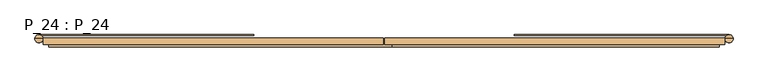
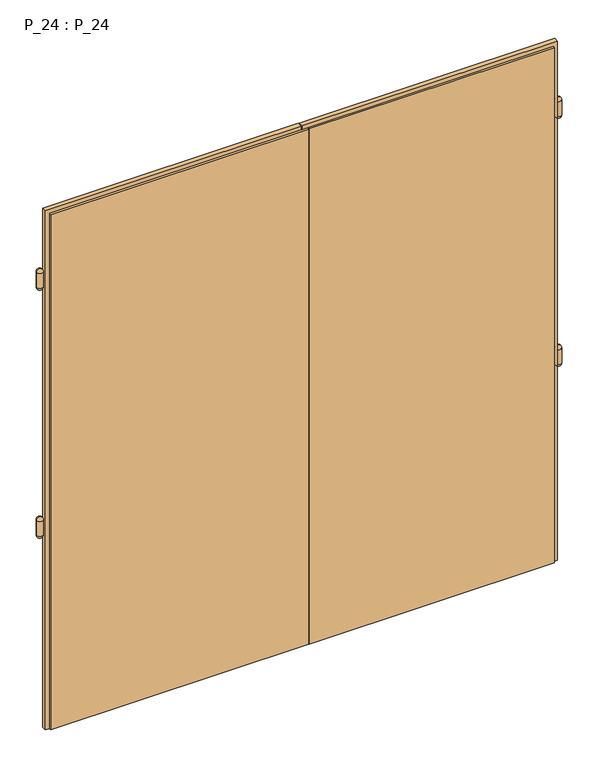
"""IFC4 building model written with IfcOpenShell, lengths in millimetres: door geometry, P_24 : P_24."""

from ifc_helpers import new_model, si_unit, point, frame, origin, place, context, project, spatial, circle_curve, ellipse_curve, trimmed, faceted_brep, source, transform, mapped, element, save
from ifc_brep_helpers import plane_surface, cylinder_surface, revolved_surface, advanced_brep


def p_24_p_24_582e99e0(model_context):
    return source(origin(), model_context, "Body", "SolidModel", [
        advanced_brep(
        [(-1286.1198712, 311.5, 2300.0), (-1271.1198712, 311.5, 2315.0), (-1301.1198712, 311.5, 2315.0), (-1271.1198712, 311.5, 2395.0), (-1286.1198712, 311.5, 2410.0), (-1301.1198712, 311.5, 2395.0), (-1277.8283092, 324.0, 2395.0), (-1286.1198712, 326.5, 2395.0), (-1286.1198712, 326.5, 2350.0), (-1277.8283092, 324.0, 2350.0), (-486.1198712, 326.5, 2395.0), (-486.1198712, 324.0, 2395.0), (-486.1198712, 326.5, 2350.0), (-486.1198712, 324.0, 2350.0)],
        [
            (0, 1, circle_curve(frame((-1286.1198712, 311.5, 2315.0), z_axis=(0.0, -1.0, 0.0), x_axis=(-1.0, 0.0, 0.0)), 15.0)),
            (1, 2, circle_curve(frame((-1286.1198712, 311.5, 2315.0), z_axis=(0.0, 0.0, -1.0), x_axis=(-1.0, 0.0, 0.0)), 15.0)),
            (2, 0, circle_curve(frame((-1286.1198712, 311.5, 2315.0), z_axis=(0.0, -1.0, 0.0), x_axis=(1.0, 0.0, 0.0)), 15.0)),
            (2, 1, circle_curve(frame((-1286.1198712, 311.5, 2315.0), z_axis=(0.0, 0.0, -1.0), x_axis=(-1.0, 0.0, 0.0)), 15.0)),
            (3, 4, circle_curve(frame((-1286.1198712, 311.5, 2395.0), z_axis=(0.0, -1.0, 0.0), x_axis=(-1.0, 0.0, 0.0)), 15.0)),
            (4, 5, circle_curve(frame((-1286.1198712, 311.5, 2395.0), z_axis=(0.0, -1.0, 0.0), x_axis=(1.0, 0.0, 0.0)), 15.0)),
            (5, 3, circle_curve(frame((-1286.1198712, 311.5, 2395.0), z_axis=(0.0, 0.0, 1.0), x_axis=(-1.0, 0.0, 0.0)), 15.0)),
            (3, 6, circle_curve(frame((-1286.1198712, 311.5, 2395.0), z_axis=(0.0, 0.0, 1.0), x_axis=(-1.0, 0.0, 0.0)), 15.0)),
            (6, 7, circle_curve(frame((-1286.1198712, 311.5, 2395.0), z_axis=(0.0, 0.0, 1.0), x_axis=(-1.0, 0.0, 0.0)), 15.0)),
            (7, 5, circle_curve(frame((-1286.1198712, 311.5, 2395.0), z_axis=(0.0, 0.0, 1.0), x_axis=(-1.0, 0.0, 0.0)), 15.0)),
            (1, 3),
            (5, 2),
            (7, 8),
            (8, 9, circle_curve(frame((-1286.1198712, 311.5, 2350.0), z_axis=(0.0, 0.0, -1.0), x_axis=(-1.0, 0.0, 0.0)), 15.0)),
            (9, 6),
            (10, 7),
            (6, 11),
            (11, 10),
            (12, 13),
            (13, 9),
            (8, 12),
            (11, 13),
            (12, 10),
        ],
        [
            revolved_surface(trimmed(ellipse_curve(frame((-1286.1198712, 311.5, 2315.0), z_axis=(0.0, -1.0, 0.0), x_axis=(1.0, 0.0, 0.0)), 15.0, 15.0), [point((-1301.1198712, 311.5, 2315.0))], [point((-1286.1198712, 311.5, 2300.0))], True, "CARTESIAN"), (-1286.1198712, 311.5, 2270.0), (0.0, 0.0, -1.0)),
            revolved_surface(trimmed(ellipse_curve(frame((-1286.1198712, 311.5, 2395.0), z_axis=(0.0, -1.0, 0.0), x_axis=(1.0, 0.0, 0.0)), 15.0, 15.0), [point((-1286.1198712, 311.5, 2410.0))], [point((-1301.1198712, 311.5, 2395.0))], True, "CARTESIAN"), (-1286.1198712, 311.5, 2270.0), (0.0, 0.0, -1.0)),
            cylinder_surface(frame((-1286.1198712, 311.5, 2270.0), z_axis=(0.0, 0.0, -1.0), x_axis=(-1.0, 0.0, 0.0)), 15.0),
            plane_surface(frame((-486.1198712, 326.5, 2395.0), z_axis=(0.0, 0.0, 1.0), x_axis=(0.0, -1.0, 0.0))),
            plane_surface(frame((-486.1198712, 326.5, 2350.0), z_axis=(0.0, 0.0, -1.0), x_axis=(0.0, 1.0, 0.0))),
            plane_surface(frame((-486.1198712, 326.5, 2395.0), z_axis=(1.0, 0.0, 0.0), x_axis=(0.0, 0.0, -1.0))),
            plane_surface(frame((-486.1198712, 324.0, 2395.0), z_axis=(0.0, -1.0, 0.0), x_axis=(0.0, 0.0, -1.0))),
            plane_surface(frame((-1286.1198712, 326.5, 2395.0), z_axis=(0.0, 1.0, 0.0), x_axis=(0.0, 0.0, -1.0))),
        ],
        [
            (0, [[1, 2, 3]]),
            (0, [[4, -1, -3]]),
            (1, [[5, 6, 7]]),
            (1, [[-5, 8, 9, 10, -6]]),
            (2, [[11, -7, 12, -2]]),
            (2, [[-12, -10, 13, 14, 15, -8, -11, -4]]),
            (3, [[16, -9, 17, 18]]),
            (4, [[19, 20, -14, 21]]),
            (5, [[22, -19, 23, -18]]),
            (6, [[-17, -15, -20, -22]]),
            (7, [[-23, -21, -13, -16]]),
        ],
    ),
        advanced_brep(
        [(1286.1198712, 311.5, 2300.0), (1301.1198712, 311.5, 2315.0), (1271.1198712, 311.5, 2315.0), (1271.1198712, 311.5, 2395.0), (1301.1198712, 311.5, 2395.0), (1286.1198712, 311.5, 2410.0), (1286.1198712, 326.5, 2395.0), (1277.8283092, 324.0, 2395.0), (1277.8283092, 324.0, 2350.0), (1286.1198712, 326.5, 2350.0), (486.1198712, 326.5, 2395.0), (486.1198712, 324.0, 2395.0), (486.1198712, 326.5, 2350.0), (486.1198712, 324.0, 2350.0)],
        [
            (0, 1, circle_curve(frame((1286.1198712, 311.5, 2315.0), z_axis=(0.0, -1.0, 0.0), x_axis=(-1.0, 0.0, 0.0)), 15.0)),
            (1, 2, circle_curve(frame((1286.1198712, 311.5, 2315.0), z_axis=(0.0, 0.0, -1.0), x_axis=(1.0, 0.0, 0.0)), 15.0)),
            (2, 0, circle_curve(frame((1286.1198712, 311.5, 2315.0), z_axis=(0.0, -1.0, 0.0), x_axis=(1.0, 0.0, 0.0)), 15.0)),
            (2, 1, circle_curve(frame((1286.1198712, 311.5, 2315.0), z_axis=(0.0, 0.0, -1.0), x_axis=(1.0, 0.0, 0.0)), 15.0)),
            (3, 4, circle_curve(frame((1286.1198712, 311.5, 2395.0), z_axis=(0.0, 0.0, 1.0), x_axis=(1.0, 0.0, 0.0)), 15.0)),
            (4, 5, circle_curve(frame((1286.1198712, 311.5, 2395.0), z_axis=(0.0, -1.0, 0.0), x_axis=(-1.0, 0.0, 0.0)), 15.0)),
            (5, 3, circle_curve(frame((1286.1198712, 311.5, 2395.0), z_axis=(0.0, -1.0, 0.0), x_axis=(1.0, 0.0, 0.0)), 15.0)),
            (4, 6, circle_curve(frame((1286.1198712, 311.5, 2395.0), z_axis=(0.0, 0.0, 1.0), x_axis=(1.0, 0.0, 0.0)), 15.0)),
            (6, 7, circle_curve(frame((1286.1198712, 311.5, 2395.0), z_axis=(0.0, 0.0, 1.0), x_axis=(1.0, 0.0, 0.0)), 15.0)),
            (7, 3, circle_curve(frame((1286.1198712, 311.5, 2395.0), z_axis=(0.0, 0.0, 1.0), x_axis=(1.0, 0.0, 0.0)), 15.0)),
            (1, 4),
            (3, 2),
            (7, 8),
            (8, 9, circle_curve(frame((1286.1198712, 311.5, 2350.0), z_axis=(0.0, 0.0, -1.0), x_axis=(1.0, 0.0, 0.0)), 15.0)),
            (9, 6),
            (10, 11),
            (11, 7),
            (6, 10),
            (12, 9),
            (8, 13),
            (13, 12),
            (10, 12),
            (13, 11),
        ],
        [
            revolved_surface(trimmed(ellipse_curve(frame((1286.1198712, 311.5, 2315.0), z_axis=(0.0, 1.0, 0.0), x_axis=(-1.0, 0.0, 0.0)), 15.0, 15.0), [point((1301.1198712, 311.5, 2315.0))], [point((1286.1198712, 311.5, 2300.0))], True, "CARTESIAN"), (1286.1198712, 311.5, 2270.0), (0.0, 0.0, -1.0)),
            revolved_surface(trimmed(ellipse_curve(frame((1286.1198712, 311.5, 2395.0), z_axis=(0.0, 1.0, 0.0), x_axis=(-1.0, 0.0, 0.0)), 15.0, 15.0), [point((1286.1198712, 311.5, 2410.0))], [point((1301.1198712, 311.5, 2395.0))], True, "CARTESIAN"), (1286.1198712, 311.5, 2270.0), (0.0, 0.0, -1.0)),
            cylinder_surface(frame((1286.1198712, 311.5, 2270.0), z_axis=(0.0, 0.0, -1.0), x_axis=(1.0, 0.0, 0.0)), 15.0),
            plane_surface(frame((486.1198712, 326.5, 2395.0), z_axis=(0.0, 0.0, 1.0), x_axis=(0.0, -1.0, 0.0))),
            plane_surface(frame((486.1198712, 326.5, 2350.0), z_axis=(0.0, 0.0, -1.0), x_axis=(0.0, 1.0, 0.0))),
            plane_surface(frame((486.1198712, 326.5, 2395.0), z_axis=(-1.0, 0.0, 0.0), x_axis=(0.0, 0.0, -1.0))),
            plane_surface(frame((486.1198712, 324.0, 2395.0), z_axis=(0.0, -1.0, 0.0), x_axis=(0.0, 0.0, -1.0))),
            plane_surface(frame((1286.1198712, 326.5, 2395.0), z_axis=(0.0, 1.0, 0.0), x_axis=(0.0, 0.0, -1.0))),
        ],
        [
            (0, [[1, 2, 3]]),
            (0, [[-1, -3, 4]]),
            (1, [[5, 6, 7]]),
            (1, [[-6, 8, 9, 10, -7]]),
            (2, [[-2, 11, -5, 12]]),
            (2, [[-4, -12, -10, 13, 14, 15, -8, -11]]),
            (3, [[16, 17, -9, 18]]),
            (4, [[19, -14, 20, 21]]),
            (5, [[-16, 22, -21, 23]]),
            (6, [[-23, -20, -13, -17]]),
            (7, [[-18, -15, -19, -22]]),
        ],
    ),
        advanced_brep(
        [(-1286.1198712, 311.5, 1000.0), (-1271.1198712, 311.5, 1015.0), (-1301.1198712, 311.5, 1015.0), (-1271.1198712, 311.5, 1095.0), (-1286.1198712, 311.5, 1110.0), (-1301.1198712, 311.5, 1095.0), (-1277.8283092, 324.0, 1095.0), (-1286.1198712, 326.5, 1095.0), (-1286.1198712, 326.5, 1050.0), (-1277.8283092, 324.0, 1050.0), (-486.1198712, 326.5, 1095.0), (-486.1198712, 324.0, 1095.0), (-486.1198712, 326.5, 1050.0), (-486.1198712, 324.0, 1050.0)],
        [
            (0, 1, circle_curve(frame((-1286.1198712, 311.5, 1015.0), z_axis=(0.0, -1.0, 0.0), x_axis=(-1.0, 0.0, 0.0)), 15.0)),
            (1, 2, circle_curve(frame((-1286.1198712, 311.5, 1015.0), z_axis=(0.0, 0.0, -1.0), x_axis=(-1.0, 0.0, 0.0)), 15.0)),
            (2, 0, circle_curve(frame((-1286.1198712, 311.5, 1015.0), z_axis=(0.0, -1.0, 0.0), x_axis=(1.0, 0.0, 0.0)), 15.0)),
            (2, 1, circle_curve(frame((-1286.1198712, 311.5, 1015.0), z_axis=(0.0, 0.0, -1.0), x_axis=(-1.0, 0.0, 0.0)), 15.0)),
            (3, 4, circle_curve(frame((-1286.1198712, 311.5, 1095.0), z_axis=(0.0, -1.0, 0.0), x_axis=(-1.0, 0.0, 0.0)), 15.0)),
            (4, 5, circle_curve(frame((-1286.1198712, 311.5, 1095.0), z_axis=(0.0, -1.0, 0.0), x_axis=(1.0, 0.0, 0.0)), 15.0)),
            (5, 3, circle_curve(frame((-1286.1198712, 311.5, 1095.0), z_axis=(0.0, 0.0, 1.0), x_axis=(-1.0, 0.0, 0.0)), 15.0)),
            (3, 6, circle_curve(frame((-1286.1198712, 311.5, 1095.0), z_axis=(0.0, 0.0, 1.0), x_axis=(-1.0, 0.0, 0.0)), 15.0)),
            (6, 7, circle_curve(frame((-1286.1198712, 311.5, 1095.0), z_axis=(0.0, 0.0, 1.0), x_axis=(-1.0, 0.0, 0.0)), 15.0)),
            (7, 5, circle_curve(frame((-1286.1198712, 311.5, 1095.0), z_axis=(0.0, 0.0, 1.0), x_axis=(-1.0, 0.0, 0.0)), 15.0)),
            (1, 3),
            (5, 2),
            (7, 8),
            (8, 9, circle_curve(frame((-1286.1198712, 311.5, 1050.0), z_axis=(0.0, 0.0, -1.0), x_axis=(-1.0, 0.0, 0.0)), 15.0)),
            (9, 6),
            (10, 7),
            (6, 11),
            (11, 10),
            (12, 13),
            (13, 9),
            (8, 12),
            (11, 13),
            (12, 10),
        ],
        [
            revolved_surface(trimmed(ellipse_curve(frame((-1286.1198712, 311.5, 1015.0), z_axis=(0.0, -1.0, 0.0), x_axis=(1.0, 0.0, 0.0)), 15.0, 15.0), [point((-1301.1198712, 311.5, 1015.0))], [point((-1286.1198712, 311.5, 1000.0))], True, "CARTESIAN"), (-1286.1198712, 311.5, 970.0), (0.0, 0.0, -1.0)),
            revolved_surface(trimmed(ellipse_curve(frame((-1286.1198712, 311.5, 1095.0), z_axis=(0.0, -1.0, 0.0), x_axis=(1.0, 0.0, 0.0)), 15.0, 15.0), [point((-1286.1198712, 311.5, 1110.0))], [point((-1301.1198712, 311.5, 1095.0))], True, "CARTESIAN"), (-1286.1198712, 311.5, 970.0), (0.0, 0.0, -1.0)),
            cylinder_surface(frame((-1286.1198712, 311.5, 970.0), z_axis=(0.0, 0.0, -1.0), x_axis=(-1.0, 0.0, 0.0)), 15.0),
            plane_surface(frame((-486.1198712, 326.5, 1095.0), z_axis=(0.0, 0.0, 1.0), x_axis=(0.0, -1.0, 0.0))),
            plane_surface(frame((-486.1198712, 326.5, 1050.0), z_axis=(0.0, 0.0, -1.0), x_axis=(0.0, 1.0, 0.0))),
            plane_surface(frame((-486.1198712, 326.5, 1095.0), z_axis=(1.0, 0.0, 0.0), x_axis=(0.0, 0.0, -1.0))),
            plane_surface(frame((-486.1198712, 324.0, 1095.0), z_axis=(0.0, -1.0, 0.0), x_axis=(0.0, 0.0, -1.0))),
            plane_surface(frame((-1286.1198712, 326.5, 1095.0), z_axis=(0.0, 1.0, 0.0), x_axis=(0.0, 0.0, -1.0))),
        ],
        [
            (0, [[1, 2, 3]]),
            (0, [[4, -1, -3]]),
            (1, [[5, 6, 7]]),
            (1, [[-5, 8, 9, 10, -6]]),
            (2, [[11, -7, 12, -2]]),
            (2, [[-12, -10, 13, 14, 15, -8, -11, -4]]),
            (3, [[16, -9, 17, 18]]),
            (4, [[19, 20, -14, 21]]),
            (5, [[22, -19, 23, -18]]),
            (6, [[-17, -15, -20, -22]]),
            (7, [[-23, -21, -13, -16]]),
        ],
    ),
        advanced_brep(
        [(1286.1198712, 311.5, 1000.0), (1301.1198712, 311.5, 1015.0), (1271.1198712, 311.5, 1015.0), (1271.1198712, 311.5, 1095.0), (1301.1198712, 311.5, 1095.0), (1286.1198712, 311.5, 1110.0), (1286.1198712, 326.5, 1095.0), (1277.8283092, 324.0, 1095.0), (1277.8283092, 324.0, 1050.0), (1286.1198712, 326.5, 1050.0), (486.1198712, 326.5, 1095.0), (486.1198712, 324.0, 1095.0), (486.1198712, 326.5, 1050.0), (486.1198712, 324.0, 1050.0)],
        [
            (0, 1, circle_curve(frame((1286.1198712, 311.5, 1015.0), z_axis=(0.0, -1.0, 0.0), x_axis=(-1.0, 0.0, 0.0)), 15.0)),
            (1, 2, circle_curve(frame((1286.1198712, 311.5, 1015.0), z_axis=(0.0, 0.0, -1.0), x_axis=(1.0, 0.0, 0.0)), 15.0)),
            (2, 0, circle_curve(frame((1286.1198712, 311.5, 1015.0), z_axis=(0.0, -1.0, 0.0), x_axis=(1.0, 0.0, 0.0)), 15.0)),
            (2, 1, circle_curve(frame((1286.1198712, 311.5, 1015.0), z_axis=(0.0, 0.0, -1.0), x_axis=(1.0, 0.0, 0.0)), 15.0)),
            (3, 4, circle_curve(frame((1286.1198712, 311.5, 1095.0), z_axis=(0.0, 0.0, 1.0), x_axis=(1.0, 0.0, 0.0)), 15.0)),
            (4, 5, circle_curve(frame((1286.1198712, 311.5, 1095.0), z_axis=(0.0, -1.0, 0.0), x_axis=(-1.0, 0.0, 0.0)), 15.0)),
            (5, 3, circle_curve(frame((1286.1198712, 311.5, 1095.0), z_axis=(0.0, -1.0, 0.0), x_axis=(1.0, 0.0, 0.0)), 15.0)),
            (4, 6, circle_curve(frame((1286.1198712, 311.5, 1095.0), z_axis=(0.0, 0.0, 1.0), x_axis=(1.0, 0.0, 0.0)), 15.0)),
            (6, 7, circle_curve(frame((1286.1198712, 311.5, 1095.0), z_axis=(0.0, 0.0, 1.0), x_axis=(1.0, 0.0, 0.0)), 15.0)),
            (7, 3, circle_curve(frame((1286.1198712, 311.5, 1095.0), z_axis=(0.0, 0.0, 1.0), x_axis=(1.0, 0.0, 0.0)), 15.0)),
            (1, 4),
            (3, 2),
            (7, 8),
            (8, 9, circle_curve(frame((1286.1198712, 311.5, 1050.0), z_axis=(0.0, 0.0, -1.0), x_axis=(1.0, 0.0, 0.0)), 15.0)),
            (9, 6),
            (10, 11),
            (11, 7),
            (6, 10),
            (12, 9),
            (8, 13),
            (13, 12),
            (10, 12),
            (13, 11),
        ],
        [
            revolved_surface(trimmed(ellipse_curve(frame((1286.1198712, 311.5, 1015.0), z_axis=(0.0, 1.0, 0.0), x_axis=(-1.0, 0.0, 0.0)), 15.0, 15.0), [point((1301.1198712, 311.5, 1015.0))], [point((1286.1198712, 311.5, 1000.0))], True, "CARTESIAN"), (1286.1198712, 311.5, 970.0), (0.0, 0.0, -1.0)),
            revolved_surface(trimmed(ellipse_curve(frame((1286.1198712, 311.5, 1095.0), z_axis=(0.0, 1.0, 0.0), x_axis=(-1.0, 0.0, 0.0)), 15.0, 15.0), [point((1286.1198712, 311.5, 1110.0))], [point((1301.1198712, 311.5, 1095.0))], True, "CARTESIAN"), (1286.1198712, 311.5, 970.0), (0.0, 0.0, -1.0)),
            cylinder_surface(frame((1286.1198712, 311.5, 970.0), z_axis=(0.0, 0.0, -1.0), x_axis=(1.0, 0.0, 0.0)), 15.0),
            plane_surface(frame((486.1198712, 326.5, 1095.0), z_axis=(0.0, 0.0, 1.0), x_axis=(0.0, -1.0, 0.0))),
            plane_surface(frame((486.1198712, 326.5, 1050.0), z_axis=(0.0, 0.0, -1.0), x_axis=(0.0, 1.0, 0.0))),
            plane_surface(frame((486.1198712, 326.5, 1095.0), z_axis=(-1.0, 0.0, 0.0), x_axis=(0.0, 0.0, -1.0))),
            plane_surface(frame((486.1198712, 324.0, 1095.0), z_axis=(0.0, -1.0, 0.0), x_axis=(0.0, 0.0, -1.0))),
            plane_surface(frame((1286.1198712, 326.5, 1095.0), z_axis=(0.0, 1.0, 0.0), x_axis=(0.0, 0.0, -1.0))),
        ],
        [
            (0, [[1, 2, 3]]),
            (0, [[-1, -3, 4]]),
            (1, [[5, 6, 7]]),
            (1, [[-6, 8, 9, 10, -7]]),
            (2, [[-2, 11, -5, 12]]),
            (2, [[-4, -12, -10, 13, 14, 15, -8, -11]]),
            (3, [[16, 17, -9, 18]]),
            (4, [[19, -14, 20, 21]]),
            (5, [[-16, 22, -21, 23]]),
            (6, [[-23, -20, -13, -17]]),
            (7, [[-18, -15, -19, -22]]),
        ],
    ),
        faceted_brep([(1250.0, 290.0, 0.0), (1250.0, 280.0, 0.0), (31.0, 280.0, 0.0), (31.0, 290.0, 0.0), (2.0, 290.0, 0.0), (2.0, 314.0, 0.0), (1270.0, 314.0, 0.0), (1270.0, 290.0, 0.0), (1250.0, 290.0, 2700.0), (1250.0, 280.0, 2700.0), (31.0, 280.0, 2700.0), (31.0, 290.0, 2700.0), (1270.0, 290.0, 2720.0), (2.0, 290.0, 2720.0), (2.0, 314.0, 2720.0), (1270.0, 314.0, 2720.0)], [[[0, 1, 2, 3, 4, 5, 6, 7]], [[8, 9, 1, 0]], [[9, 10, 2, 1]], [[10, 11, 3, 2]], [[12, 13, 4, 3, 11, 8, 0, 7]], [[13, 14, 5, 4]], [[14, 15, 6, 5]], [[15, 12, 7, 6]], [[11, 10, 9, 8]], [[14, 13, 12, 15]]]),
        faceted_brep([(-2.0, 314.0, 0.0), (-2.0, 290.0, 0.0), (29.0, 290.0, 0.0), (29.0, 280.0, 0.0), (-1250.0, 280.0, 0.0), (-1250.0, 290.0, 0.0), (-1270.0, 290.0, 0.0), (-1270.0, 314.0, 0.0), (-2.0, 314.0, 2720.0), (-2.0, 290.0, 2720.0), (-2.0, 290.0, 2700.0), (29.0, 290.0, 2700.0), (29.0, 280.0, 2700.0), (-1250.0, 280.0, 2700.0), (-1250.0, 290.0, 2700.0), (-1270.0, 290.0, 2720.0), (-1270.0, 314.0, 2720.0)], [[[0, 1, 2, 3, 4, 5, 6, 7]], [[8, 9, 10, 1, 0]], [[11, 2, 1, 10]], [[11, 12, 3, 2]], [[12, 13, 4, 3]], [[13, 14, 5, 4]], [[9, 15, 6, 5, 14, 10]], [[15, 16, 7, 6]], [[16, 8, 0, 7]], [[8, 16, 15, 9]], [[14, 13, 12, 11, 10]]]),
    ])


if __name__ == "__main__":
    model = new_model("IFC4")
    model_context = context("Model", 3, world=origin())
    ifc_project = project(units=[si_unit("LENGTHUNIT", "METRE", prefix="MILLI")], contexts=[model_context])
    site = spatial("IfcSite", under=ifc_project)
    building = spatial("IfcBuilding", under=site)
    placement = place(None, origin())
    p_24_p_24_shape = p_24_p_24_582e99e0(model_context)
    element("IfcDoor", 1, ObjectType="P_24 : P_24", at=placement, inside=building, context=model_context, shape_type="MappedRepresentation", body=[
        mapped(p_24_p_24_shape, transform((0.0, 0.0, 0.0), x_axis=(1.0, 0.0, 0.0), y_axis=(0.0, 1.0, 0.0), z_axis=(0.0, 0.0, 1.0))),
    ])
    save(model, "model.ifc")
